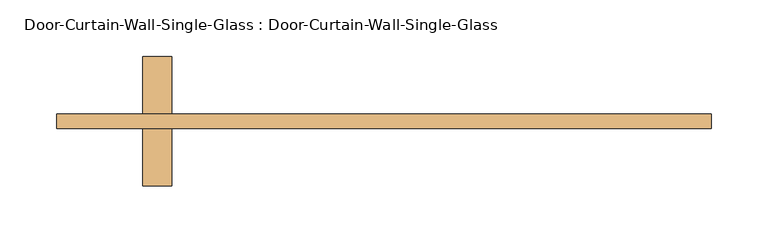
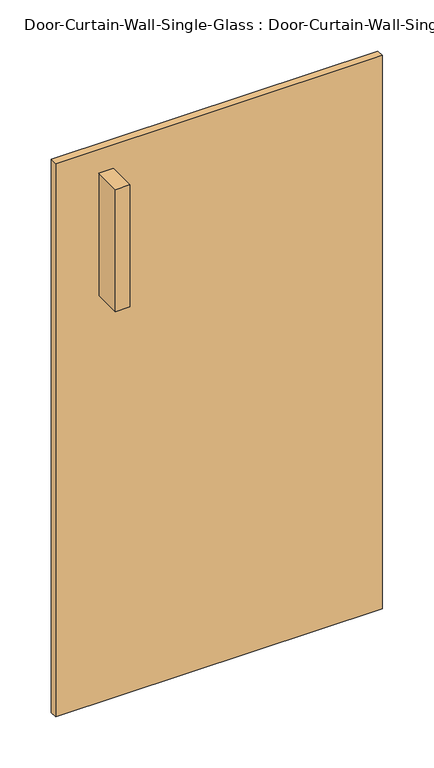
"""IFC4 building model written with IfcOpenShell, lengths in millimetres: door geometry, Door-Curtain-Wall-Single-Glass : Door-Curtain-Wall-Single-Glass."""

from ifc_helpers import new_model, si_unit, frame, origin, origin_with_axes, place, context, project, spatial, polyline, outline, extrude, source, transform, mapped, element, save


def door_curtain_wall_single_glass_door_curtain_wall_single_2458787e(model_context):
    return source(origin(), model_context, "Body", "SweptSolid", [
        extrude(outline(polyline([(288.925, -50.8), (-288.925, -50.8), (-288.925, -38.1), (288.925, -38.1), (288.925, -50.8)])), origin_with_axes(), (0.0, 0.0, 1.0), 1035.05),
        extrude(outline(polyline([(-187.325, 12.7), (-187.325, -38.1), (-212.725, -38.1), (-212.725, 12.7), (-187.325, 12.7)])), frame((0.0, 0.0, 762.0), z_axis=(0.0, 0.0, 1.0), x_axis=(1.0, 0.0, 0.0)), (0.0, 0.0, 1.0), 228.6),
        extrude(outline(polyline([(-212.725, -101.6), (-212.725, -50.8), (-187.325, -50.8), (-187.325, -101.6), (-212.725, -101.6)])), frame((0.0, 0.0, 762.0), z_axis=(0.0, 0.0, 1.0), x_axis=(1.0, 0.0, 0.0)), (0.0, 0.0, 1.0), 228.6),
    ])


if __name__ == "__main__":
    model = new_model("IFC4")
    model_context = context("Model", 3, world=origin())
    ifc_project = project(units=[si_unit("LENGTHUNIT", "METRE", prefix="MILLI")], contexts=[model_context])
    site = spatial("IfcSite", under=ifc_project)
    building = spatial("IfcBuilding", under=site)
    placement = place(None, origin())
    door_curtain_wall_single_glass_door_curtain_wall_single_shape = door_curtain_wall_single_glass_door_curtain_wall_single_2458787e(model_context)
    element("IfcDoor", 1, ObjectType="Door-Curtain-Wall-Single-Glass : Door-Curtain-Wall-Single-Glass", at=placement, inside=building, context=model_context, shape_type="MappedRepresentation", body=[
        mapped(door_curtain_wall_single_glass_door_curtain_wall_single_shape, transform((0.0, 0.0, 0.0), x_axis=(1.0, 0.0, 0.0), y_axis=(0.0, 1.0, 0.0), z_axis=(0.0, 0.0, 1.0))),
    ])
    save(model, "model.ifc")
